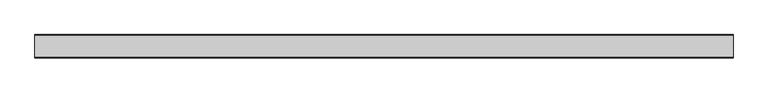
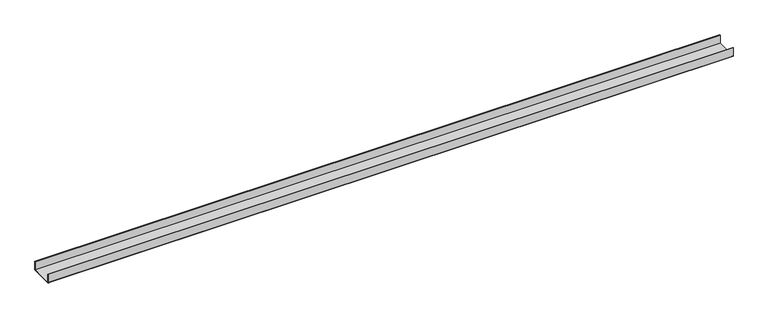
"""IFC4 building model written with IfcOpenShell, lengths in millimetres: proxy geometry."""

from ifc_helpers import new_model, si_unit, point, frame, frame_2d, origin, place, context, project, spatial, polyline, circle_curve, trimmed, segment, composite_curve, outline, extrude, source, transform, mapped, element, save


def generic_models_d6f9f946(model_context):
    return source(origin(), model_context, "Body", "SweptSolid", [
        extrude(outline(composite_curve([segment(polyline([(-50.5, 2.0), (-50.5, 40.0), (-48.5, 40.0), (-48.5, 2.0), (48.5, 2.0), (48.5, 40.0), (50.5, 40.0), (50.5, 2.0)]), True, "CONTINUOUS"), segment(trimmed(circle_curve(frame_2d((48.5, 2.0)), 2.0), [point((50.5, 2.0))], [point((48.5, 0.0))], False, "CARTESIAN"), True, "CONTINUOUS"), segment(polyline([(48.5, 0.0), (-48.5, 0.0)]), True, "CONTINUOUS"), segment(trimmed(circle_curve(frame_2d((-48.5, 2.0)), 2.0), [point((-48.5, 0.0))], [point((-50.5, 2.0))], False, "CARTESIAN"), True, "CONTINUOUS")], self_intersect=False)), frame((0.0, 0.0, 0.0), z_axis=(1.0, 0.0, 0.0), x_axis=(0.0, 1.0, 0.0)), (0.0, 0.0, 1.0), 3035.0),
    ])


if __name__ == "__main__":
    model = new_model("IFC4")
    model_context = context("Model", 3, world=origin())
    ifc_project = project(units=[si_unit("LENGTHUNIT", "METRE", prefix="MILLI")], contexts=[model_context])
    site = spatial("IfcSite", under=ifc_project)
    building = spatial("IfcBuilding", under=site)
    placement = place(None, origin())
    generic_models_shape = generic_models_d6f9f946(model_context)
    element("IfcBuildingElementProxy", 1, Name="Generic Models", at=placement, inside=building, context=model_context, shape_type="MappedRepresentation", body=[
        mapped(generic_models_shape, transform((0.0, 0.0, 0.0), x_axis=(1.0, 0.0, 0.0), y_axis=(0.0, 1.0, 0.0), z_axis=(0.0, 0.0, 1.0))),
    ])
    save(model, "model.ifc")
